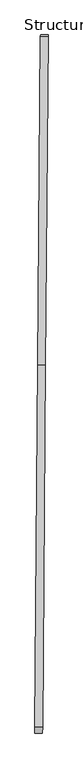
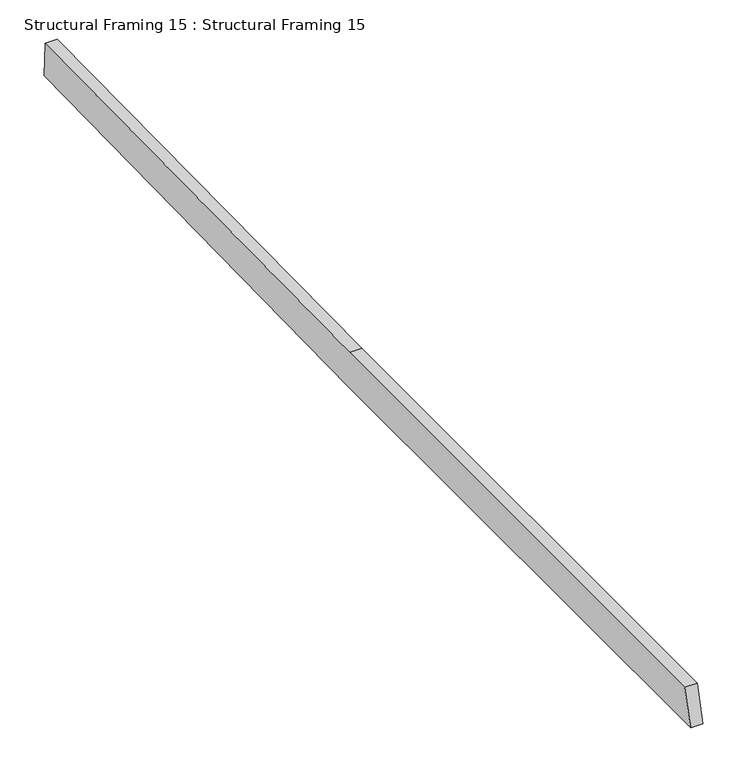
"""IFC4 building model written with IfcOpenShell, lengths in millimetres: beam geometry, Structural Framing 15 : Structural Framing 15."""

import ifcopenshell
import ifcopenshell.guid

model = None  # the IFC model being written
_history = None  # IfcOwnerHistory: only IFC2X3 demands one
_inside = {}  # id of a spatial element -> (the spatial element, [elements in it])
_under = {}  # id of a project, library or spatial element -> (it, [spatial elements below it])
_declared = {}  # id of a project -> (the project, [libraries it declares])
_typed = {}  # id of a type object -> (the type object, [elements of that type])
_made_of = {}  # id of a material, layer set ... -> (it, [elements and type objects made of it])


def new_model(schema):
    """Start an empty IFC model of exactly this schema.

    Asked for "IFC4X3", IfcOpenShell would pick the latest addendum, in which some entities
    have other attributes; the version numbers below select the first issue.
    IFC2X3 requires an IfcOwnerHistory on every rooted entity: one is made here for all.
    """
    global model, _history
    if schema == "IFC4X3":
        model = ifcopenshell.file(schema_version=(4, 3, 0, 0))
    else:
        model = ifcopenshell.file(schema=schema)
    _inside.clear()
    _under.clear()
    _declared.clear()
    _typed.clear()
    _made_of.clear()
    _history = None
    if model.schema == "IFC2X3":
        org = make("IfcOrganization", Name="unknown")
        user = make(
            "IfcPersonAndOrganization",
            ThePerson=make("IfcPerson", FamilyName="unknown"),
            TheOrganization=org,
        )
        app = make(
            "IfcApplication",
            ApplicationDeveloper=org,
            Version="unknown",
            ApplicationFullName="unknown",
            ApplicationIdentifier="unknown",
        )
        _history = make(
            "IfcOwnerHistory",
            OwningUser=user,
            OwningApplication=app,
            ChangeAction="ADDED",
            CreationDate=0,
        )
    return model


def make(cls, **values):
    """One entity of the class cls with the attributes given. An attribute that is None is left unset."""
    return model.create_entity(
        cls, **{name: value for name, value in values.items() if value is not None}
    )


def rooted(cls, **values):
    """An entity with a GlobalId (a new one), such as an element, a storey or a relation."""
    return make(cls, GlobalId=ifcopenshell.guid.new(), OwnerHistory=_history, **values)


def si_unit(unit_type, name, prefix=None):
    """IfcSIUnit, for example si_unit("LENGTHUNIT", "METRE", prefix="MILLI")."""
    return make("IfcSIUnit", UnitType=unit_type, Prefix=prefix, Name=name)


def assignment(units):
    """IfcUnitAssignment: the units of a project."""
    return None if units is None else make("IfcUnitAssignment", Units=units)


def point(xyz):
    """IfcCartesianPoint."""
    return None if xyz is None else make("IfcCartesianPoint", Coordinates=xyz)


def direction(xyz):
    """IfcDirection."""
    return None if xyz is None else make("IfcDirection", DirectionRatios=xyz)


def frame(location, z_axis=None, x_axis=None):
    """IfcAxis2Placement3D, a coordinate frame: its origin and axes. An axis left out is left unset."""
    return make(
        "IfcAxis2Placement3D",
        Location=point(location),
        Axis=direction(z_axis),
        RefDirection=direction(x_axis),
    )


def origin():
    """The frame at (0, 0, 0) with its axes left unset."""
    return frame((0.0, 0.0, 0.0))


def place(relative_to, where):
    """IfcLocalPlacement: puts the frame where relative to a parent placement (None: the world)."""
    return make(
        "IfcLocalPlacement", PlacementRelTo=relative_to, RelativePlacement=where
    )


def context(
    kind, dimensions, precision=None, world=None, true_north=None, identifier=None
):
    """IfcGeometricRepresentationContext, for example the 3D "Model" context."""
    return make(
        "IfcGeometricRepresentationContext",
        ContextIdentifier=identifier,
        ContextType=kind,
        CoordinateSpaceDimension=dimensions,
        Precision=precision,
        WorldCoordinateSystem=world,
        TrueNorth=true_north,
    )


def project(units=None, contexts=None):
    """IfcProject with its units and contexts."""
    return rooted(
        "IfcProject",
        Name="project",
        RepresentationContexts=contexts,
        UnitsInContext=assignment(units),
    )


def spatial(cls, under=None, at=None, **own):
    """A site, building, storey or space (cls), placed at a placement, below another one or the project."""
    s = rooted(cls, ObjectPlacement=at, **own)
    if under is not None:
        _under.setdefault(under.id(), (under, []))[1].append(s)
    return s


def polyline(points):
    """IfcPolyline through the points."""
    return make("IfcPolyline", Points=[point(p) for p in points])


def outline(outer, holes=None, kind="AREA"):
    """IfcArbitraryClosedProfileDef: a profile drawn as a closed curve; with holes, ...WithVoids."""
    if holes is None:
        return make("IfcArbitraryClosedProfileDef", ProfileType=kind, OuterCurve=outer)
    return make(
        "IfcArbitraryProfileDefWithVoids",
        ProfileType=kind,
        OuterCurve=outer,
        InnerCurves=holes,
    )


def extrude(swept, where, along, depth):
    """IfcExtrudedAreaSolid: the profile swept, set in the frame where, extruded along a direction by depth."""
    return make(
        "IfcExtrudedAreaSolid",
        SweptArea=swept,
        Position=where,
        ExtrudedDirection=direction(along),
        Depth=depth,
    )


def shape(context_of_items, identifier, shape_type, items):
    """IfcShapeRepresentation: the items that make up one representation, for example the "Body"."""
    return make(
        "IfcShapeRepresentation",
        ContextOfItems=context_of_items,
        RepresentationIdentifier=identifier,
        RepresentationType=shape_type,
        Items=items,
    )


def source(mapping_origin, context_of_items, identifier, shape_type, items):
    """IfcRepresentationMap: a shape defined once, which mapped items show again and again."""
    return make(
        "IfcRepresentationMap",
        MappingOrigin=mapping_origin,
        MappedRepresentation=shape(context_of_items, identifier, shape_type, items),
    )


def transform(
    local_origin,
    x_axis=None,
    y_axis=None,
    z_axis=None,
    scale=None,
    scale2=None,
    scale3=None,
    uniform=True,
):
    """IfcCartesianTransformationOperator3D, or its non-uniform kind. x_axis, y_axis, z_axis: its Axis1, 2, 3."""
    if uniform:
        return make(
            "IfcCartesianTransformationOperator3D",
            Axis1=direction(x_axis),
            Axis2=direction(y_axis),
            LocalOrigin=point(local_origin),
            Scale=scale,
            Axis3=direction(z_axis),
        )
    return make(
        "IfcCartesianTransformationOperator3DnonUniform",
        Axis1=direction(x_axis),
        Axis2=direction(y_axis),
        LocalOrigin=point(local_origin),
        Scale=scale,
        Axis3=direction(z_axis),
        Scale2=scale2,
        Scale3=scale3,
    )


def mapped(mapping_source, mapping_target):
    """IfcMappedItem: shows the shape of a source again, moved by a transform."""
    return make(
        "IfcMappedItem", MappingSource=mapping_source, MappingTarget=mapping_target
    )


def made_of(thing, what):
    """Note that an element or type object is made of a material, layer set ...; save() writes the relation."""
    if what is not None:
        _made_of.setdefault(what.id(), (what, []))[1].append(thing)
    return thing


def element(
    cls,
    number,
    at=None,
    inside=None,
    cuts=None,
    type_object=None,
    material=None,
    context=None,
    identifier="Body",
    shape_type=None,
    held_by="IfcProductDefinitionShape",
    body=None,
    shapes=None,
    **own,
):
    """One element of the class cls, such as IfcWall. Its Tag is "e" and its number.

    at: its placement. inside: the storey or other place that contains it. cuts: it is an
    opening in that element (IfcRelVoidsElement). A single representation is given by context,
    identifier, shape_type and body (its items); several are given by shapes. held_by: the class
    of the entity that holds the representations. save() writes the other relations.
    """
    e = rooted(cls, Tag="e%d" % number, ObjectPlacement=at, **own)
    if body is not None:
        shapes = [shape(context, identifier, shape_type, body)]
    if shapes is not None:
        e.Representation = make(held_by, Representations=shapes)
    if inside is not None:
        _inside.setdefault(inside.id(), (inside, []))[1].append(e)
    if cuts is not None:
        rooted(
            "IfcRelVoidsElement", RelatingBuildingElement=cuts, RelatedOpeningElement=e
        )
    if type_object is not None:
        _typed.setdefault(type_object.id(), (type_object, []))[1].append(e)
    return made_of(e, material)


def aggregate(whole, parts):
    """IfcRelAggregates: a whole, such as a stair, and the parts it consists of."""
    return rooted("IfcRelAggregates", RelatingObject=whole, RelatedObjects=parts)


def save(model, path):
    """Write the relations noted so far, then the file.

    IfcRelAggregates (storeys below a building ...), IfcRelContainedInSpatialStructure (elements
    in a storey), IfcRelDefinesByType, IfcRelAssociatesMaterial and IfcRelDeclares: one each for
    every whole, place, type object, material and project.
    """
    for whole, parts in _under.values():
        aggregate(whole, parts)
    for where, things in _inside.values():
        rooted(
            "IfcRelContainedInSpatialStructure",
            RelatedElements=things,
            RelatingStructure=where,
        )
    for kind, things in _typed.values():
        rooted("IfcRelDefinesByType", RelatedObjects=things, RelatingType=kind)
    for what, things in _made_of.values():
        rooted("IfcRelAssociatesMaterial", RelatedObjects=things, RelatingMaterial=what)
    for by, libraries in _declared.values():
        rooted("IfcRelDeclares", RelatingContext=by, RelatedDefinitions=libraries)
    model.write(path)


def structural_framing_15_structural_framing_15_48ea3722(model_context):
    return source(origin(), model_context, "Body", "SweptSolid", [
        extrude(outline(polyline([(1634.2282794, 0.0), (3433.8874126, 14.7051498), (3465.7229473, -95.7680307), (1636.0266221, -115.5495889), (-5.6971419, -108.5668752), (0.0, 0.0), (1634.2282794, 0.0)])), frame((-40770.1053357, 41858.8764225, 110198.9004884), z_axis=(-0.9999678964761238, 0.008012865724329072, 0.0), x_axis=(-0.008012859191667629, -0.9999670812307487, -0.0012769269484579394)), (0.0, 0.0, 1.0), 37.5351487),
    ])


if __name__ == "__main__":
    model = new_model("IFC4")
    model_context = context("Model", 3, world=origin())
    ifc_project = project(units=[si_unit("LENGTHUNIT", "METRE", prefix="MILLI")], contexts=[model_context])
    site = spatial("IfcSite", under=ifc_project)
    building = spatial("IfcBuilding", under=site)
    placement = place(None, origin())
    structural_framing_15_structural_framing_15_shape = structural_framing_15_structural_framing_15_48ea3722(model_context)
    element("IfcBeam", 1, ObjectType="Structural Framing 15 : Structural Framing 15", at=placement, inside=building, context=model_context, shape_type="MappedRepresentation", body=[
        mapped(structural_framing_15_structural_framing_15_shape, transform((0.0, 0.0, 0.0), x_axis=(1.0, 0.0, 0.0), y_axis=(0.0, 1.0, 0.0), z_axis=(0.0, 0.0, 1.0))),
    ])
    save(model, "model.ifc")
